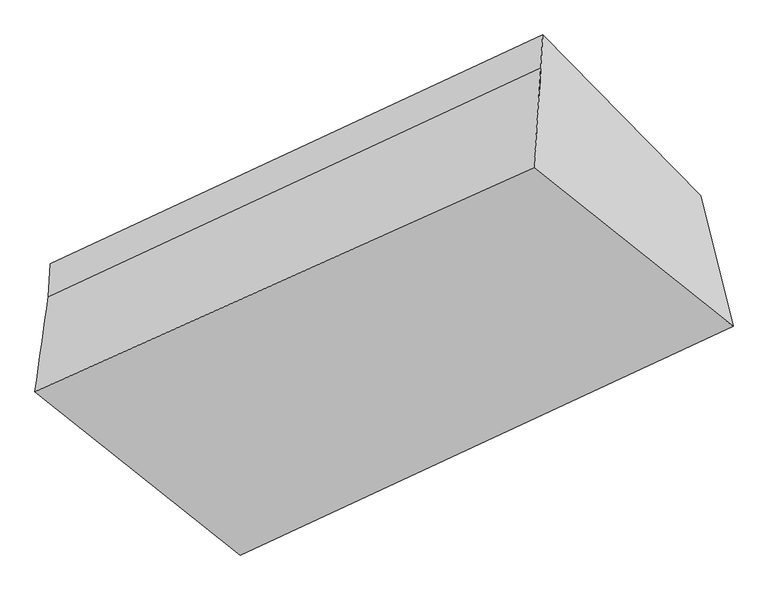
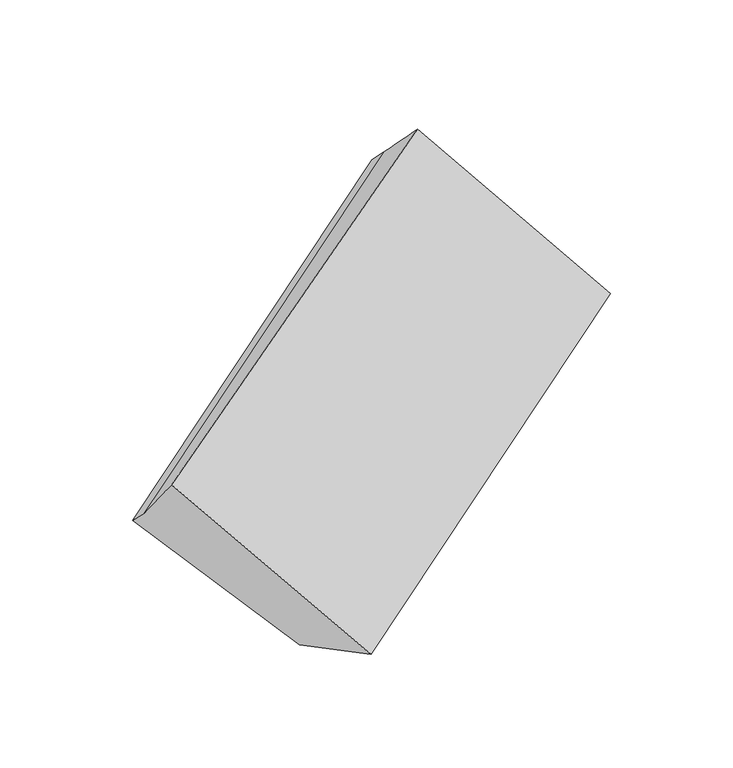
"""IFC4 building model written with IfcOpenShell, lengths in millimetres: proxy geometry."""

import ifcopenshell
import ifcopenshell.guid

model = None  # the IFC model being written
_history = None  # IfcOwnerHistory: only IFC2X3 demands one
_inside = {}  # id of a spatial element -> (the spatial element, [elements in it])
_under = {}  # id of a project, library or spatial element -> (it, [spatial elements below it])
_declared = {}  # id of a project -> (the project, [libraries it declares])
_typed = {}  # id of a type object -> (the type object, [elements of that type])
_made_of = {}  # id of a material, layer set ... -> (it, [elements and type objects made of it])


def new_model(schema):
    """Start an empty IFC model of exactly this schema.

    Asked for "IFC4X3", IfcOpenShell would pick the latest addendum, in which some entities
    have other attributes; the version numbers below select the first issue.
    IFC2X3 requires an IfcOwnerHistory on every rooted entity: one is made here for all.
    """
    global model, _history
    if schema == "IFC4X3":
        model = ifcopenshell.file(schema_version=(4, 3, 0, 0))
    else:
        model = ifcopenshell.file(schema=schema)
    _inside.clear()
    _under.clear()
    _declared.clear()
    _typed.clear()
    _made_of.clear()
    _history = None
    if model.schema == "IFC2X3":
        org = make("IfcOrganization", Name="unknown")
        user = make(
            "IfcPersonAndOrganization",
            ThePerson=make("IfcPerson", FamilyName="unknown"),
            TheOrganization=org,
        )
        app = make(
            "IfcApplication",
            ApplicationDeveloper=org,
            Version="unknown",
            ApplicationFullName="unknown",
            ApplicationIdentifier="unknown",
        )
        _history = make(
            "IfcOwnerHistory",
            OwningUser=user,
            OwningApplication=app,
            ChangeAction="ADDED",
            CreationDate=0,
        )
    return model


def make(cls, **values):
    """One entity of the class cls with the attributes given. An attribute that is None is left unset."""
    return model.create_entity(
        cls, **{name: value for name, value in values.items() if value is not None}
    )


def rooted(cls, **values):
    """An entity with a GlobalId (a new one), such as an element, a storey or a relation."""
    return make(cls, GlobalId=ifcopenshell.guid.new(), OwnerHistory=_history, **values)


def si_unit(unit_type, name, prefix=None):
    """IfcSIUnit, for example si_unit("LENGTHUNIT", "METRE", prefix="MILLI")."""
    return make("IfcSIUnit", UnitType=unit_type, Prefix=prefix, Name=name)


def assignment(units):
    """IfcUnitAssignment: the units of a project."""
    return None if units is None else make("IfcUnitAssignment", Units=units)


def point(xyz):
    """IfcCartesianPoint."""
    return None if xyz is None else make("IfcCartesianPoint", Coordinates=xyz)


def direction(xyz):
    """IfcDirection."""
    return None if xyz is None else make("IfcDirection", DirectionRatios=xyz)


def frame(location, z_axis=None, x_axis=None):
    """IfcAxis2Placement3D, a coordinate frame: its origin and axes. An axis left out is left unset."""
    return make(
        "IfcAxis2Placement3D",
        Location=point(location),
        Axis=direction(z_axis),
        RefDirection=direction(x_axis),
    )


def origin():
    """The frame at (0, 0, 0) with its axes left unset."""
    return frame((0.0, 0.0, 0.0))


def place(relative_to, where):
    """IfcLocalPlacement: puts the frame where relative to a parent placement (None: the world)."""
    return make(
        "IfcLocalPlacement", PlacementRelTo=relative_to, RelativePlacement=where
    )


def context(
    kind, dimensions, precision=None, world=None, true_north=None, identifier=None
):
    """IfcGeometricRepresentationContext, for example the 3D "Model" context."""
    return make(
        "IfcGeometricRepresentationContext",
        ContextIdentifier=identifier,
        ContextType=kind,
        CoordinateSpaceDimension=dimensions,
        Precision=precision,
        WorldCoordinateSystem=world,
        TrueNorth=true_north,
    )


def project(units=None, contexts=None):
    """IfcProject with its units and contexts."""
    return rooted(
        "IfcProject",
        Name="project",
        RepresentationContexts=contexts,
        UnitsInContext=assignment(units),
    )


def spatial(cls, under=None, at=None, **own):
    """A site, building, storey or space (cls), placed at a placement, below another one or the project."""
    s = rooted(cls, ObjectPlacement=at, **own)
    if under is not None:
        _under.setdefault(under.id(), (under, []))[1].append(s)
    return s


def shape(context_of_items, identifier, shape_type, items):
    """IfcShapeRepresentation: the items that make up one representation, for example the "Body"."""
    return make(
        "IfcShapeRepresentation",
        ContextOfItems=context_of_items,
        RepresentationIdentifier=identifier,
        RepresentationType=shape_type,
        Items=items,
    )


def source(mapping_origin, context_of_items, identifier, shape_type, items):
    """IfcRepresentationMap: a shape defined once, which mapped items show again and again."""
    return make(
        "IfcRepresentationMap",
        MappingOrigin=mapping_origin,
        MappedRepresentation=shape(context_of_items, identifier, shape_type, items),
    )


def transform(
    local_origin,
    x_axis=None,
    y_axis=None,
    z_axis=None,
    scale=None,
    scale2=None,
    scale3=None,
    uniform=True,
):
    """IfcCartesianTransformationOperator3D, or its non-uniform kind. x_axis, y_axis, z_axis: its Axis1, 2, 3."""
    if uniform:
        return make(
            "IfcCartesianTransformationOperator3D",
            Axis1=direction(x_axis),
            Axis2=direction(y_axis),
            LocalOrigin=point(local_origin),
            Scale=scale,
            Axis3=direction(z_axis),
        )
    return make(
        "IfcCartesianTransformationOperator3DnonUniform",
        Axis1=direction(x_axis),
        Axis2=direction(y_axis),
        LocalOrigin=point(local_origin),
        Scale=scale,
        Axis3=direction(z_axis),
        Scale2=scale2,
        Scale3=scale3,
    )


def mapped(mapping_source, mapping_target):
    """IfcMappedItem: shows the shape of a source again, moved by a transform."""
    return make(
        "IfcMappedItem", MappingSource=mapping_source, MappingTarget=mapping_target
    )


def made_of(thing, what):
    """Note that an element or type object is made of a material, layer set ...; save() writes the relation."""
    if what is not None:
        _made_of.setdefault(what.id(), (what, []))[1].append(thing)
    return thing


def element(
    cls,
    number,
    at=None,
    inside=None,
    cuts=None,
    type_object=None,
    material=None,
    context=None,
    identifier="Body",
    shape_type=None,
    held_by="IfcProductDefinitionShape",
    body=None,
    shapes=None,
    **own,
):
    """One element of the class cls, such as IfcWall. Its Tag is "e" and its number.

    at: its placement. inside: the storey or other place that contains it. cuts: it is an
    opening in that element (IfcRelVoidsElement). A single representation is given by context,
    identifier, shape_type and body (its items); several are given by shapes. held_by: the class
    of the entity that holds the representations. save() writes the other relations.
    """
    e = rooted(cls, Tag="e%d" % number, ObjectPlacement=at, **own)
    if body is not None:
        shapes = [shape(context, identifier, shape_type, body)]
    if shapes is not None:
        e.Representation = make(held_by, Representations=shapes)
    if inside is not None:
        _inside.setdefault(inside.id(), (inside, []))[1].append(e)
    if cuts is not None:
        rooted(
            "IfcRelVoidsElement", RelatingBuildingElement=cuts, RelatedOpeningElement=e
        )
    if type_object is not None:
        _typed.setdefault(type_object.id(), (type_object, []))[1].append(e)
    return made_of(e, material)


def aggregate(whole, parts):
    """IfcRelAggregates: a whole, such as a stair, and the parts it consists of."""
    return rooted("IfcRelAggregates", RelatingObject=whole, RelatedObjects=parts)


def save(model, path):
    """Write the relations noted so far, then the file.

    IfcRelAggregates (storeys below a building ...), IfcRelContainedInSpatialStructure (elements
    in a storey), IfcRelDefinesByType, IfcRelAssociatesMaterial and IfcRelDeclares: one each for
    every whole, place, type object, material and project.
    """
    for whole, parts in _under.values():
        aggregate(whole, parts)
    for where, things in _inside.values():
        rooted(
            "IfcRelContainedInSpatialStructure",
            RelatedElements=things,
            RelatingStructure=where,
        )
    for kind, things in _typed.values():
        rooted("IfcRelDefinesByType", RelatedObjects=things, RelatingType=kind)
    for what, things in _made_of.values():
        rooted("IfcRelAssociatesMaterial", RelatedObjects=things, RelatingMaterial=what)
    for by, libraries in _declared.values():
        rooted("IfcRelDeclares", RelatingContext=by, RelatedDefinitions=libraries)
    model.write(path)


def plane_surface(at):
    """IfcPlane: the flat surface through the origin of the frame at, square to its z axis."""
    return make("IfcPlane", Position=at)


def spline_surface(u_degree, v_degree, points, u_multiplicities, v_multiplicities, u_knots, v_knots, weights=None):
    """IfcBSplineSurfaceWithKnots; with weights, IfcRationalBSplineSurfaceWithKnots. points: one row for each step in u."""
    own = dict(
        UDegree=u_degree,
        VDegree=v_degree,
        ControlPointsList=[[point(p) for p in row] for row in points],
        SurfaceForm="UNSPECIFIED",
        UClosed=False,
        VClosed=False,
        SelfIntersect=False,
        UMultiplicities=u_multiplicities,
        VMultiplicities=v_multiplicities,
        UKnots=u_knots,
        VKnots=v_knots,
        KnotSpec="UNSPECIFIED",
    )
    if weights is None:
        return make("IfcBSplineSurfaceWithKnots", **own)
    return make("IfcRationalBSplineSurfaceWithKnots", WeightsData=weights, **own)


def advanced_brep(points, edges, surfaces, faces):
    """IfcAdvancedBrep: a solid bounded by faces that lie on surfaces and meet in shared edges.

    An edge is (start, end): straight between two places in points (the first is 0);
    or (start, end, curve); or (start, end, curve, False) where it runs against its curve.
    A face is (place in surfaces, loops), or (place, loops, False) where it looks against
    its surface's normal. A loop lists edges by number (the first is 1), with a minus sign
    where the edge is run from its end to its start. The first loop is the outer one.
    """
    corners = [point(p) for p in points]
    vertices = [make("IfcVertexPoint", VertexGeometry=c) for c in corners]
    made = []
    for start, end, *more in edges:
        made.append(
            make(
                "IfcEdgeCurve",
                EdgeStart=vertices[start],
                EdgeEnd=vertices[end],
                EdgeGeometry=more[0] if more else make("IfcPolyline", Points=[corners[start], corners[end]]),
                SameSense=more[1] if len(more) > 1 else True,
            )
        )
    hull = []
    for where, loops, *sense in faces:
        bounds = []
        for j, loop in enumerate(loops):
            ring = [make("IfcOrientedEdge", EdgeElement=made[abs(k) - 1], Orientation=k > 0) for k in loop]
            bounds.append(
                make(
                    "IfcFaceOuterBound" if j == 0 else "IfcFaceBound",
                    Bound=make("IfcEdgeLoop", EdgeList=ring),
                    Orientation=True,
                )
            )
        hull.append(make("IfcAdvancedFace", Bounds=bounds, FaceSurface=surfaces[where], SameSense=sense[0] if sense else True))
    return make("IfcAdvancedBrep", Outer=make("IfcClosedShell", CfsFaces=hull))


def generic_models_e791bb4e(model_context):
    return source(origin(), model_context, "Body", "AdvancedBrep", [
        advanced_brep(
        [(-3786.1995999, -1541.7753801, 1570.4002214), (-3791.9440359, -1642.5860907, 1668.7032497), (-2283.2292286, -941.9716751, 2475.3534022), (-2277.4847926, -841.1609645, 2377.0503738), (-3301.9472765, -2034.9055985, 1092.9881614), (-1793.2324692, -1334.2911829, 1899.6383139), (-3203.1788019, -2433.8452158, 1254.7551757), (-1694.4639947, -1733.2308002, 2061.4053282), (-3832.8536221, -1933.2775351, 1997.6978132), (-2304.0129481, -1248.6624227, 2780.601797)],
        [
            (0, 1),
            (1, 2),
            (2, 3),
            (3, 0),
            (4, 0),
            (0, 5),
            (5, 4),
            (6, 4),
            (5, 7),
            (7, 6),
            (8, 6),
            (7, 9),
            (9, 8),
            (1, 8),
            (9, 2),
            (5, 3),
        ],
        [
            plane_surface(frame((-3789.0718179, -1592.1807354, 1619.5517355), z_axis=(-0.5764908611629966, 0.5870597838551622, 0.5683476903933691), x_axis=(-0.040762950499720514, -0.7153603919662895, 0.6975656897184623))),
            plane_surface(frame((-3544.0734382, -1788.3404893, 1331.6941914), z_axis=(0.040762950499723366, 0.7153603919662861, -0.6975656897184659), x_axis=(-0.5764908611630016, 0.5870597838551639, 0.5683476903933623))),
            plane_surface(frame((-3252.5630392, -2234.3754072, 1173.8716686), z_axis=(0.5329129835987236, -0.2013252333117513, -0.8218709767012556), x_axis=(-0.22362263536993635, 0.9032429521707965, -0.36625822353086995))),
            plane_surface(frame((-3518.016212, -2183.5613754, 1626.2264944), z_axis=(0.05766471270899082, -0.804613397868577, 0.5909924372431281), x_axis=(0.5750461825332713, -0.4571399787642903, -0.6784872347872846))),
            spline_surface(1, 1, [[(-3791.9440359, -1642.5860907, 1668.7032497), (-2283.2292286, -941.9716751, 2475.3534022)], [(-3832.8536221, -1933.2775351, 1997.6978132), (-2304.0129481, -1248.6624227, 2780.601797)]], [2, 2], [2, 2], [0.0, 1.0], [0.0, 1.0]),
            plane_surface(frame((-2070.4846867, -1219.8634091, 2318.809843), z_axis=(0.8160861896038284, 0.37897271641340596, 0.43632901731623175), x_axis=(-0.22362263536993635, 0.9032429521707965, -0.36625822353086995))),
            plane_surface(frame((-3583.2246673, -1917.277964, 1516.9089243), z_axis=(-0.8160861896038297, -0.3789727164134233, -0.4363290173162144), x_axis=(0.04076295049972243, 0.7153603919662894, -0.6975656897184622))),
            plane_surface(frame((-3786.1995999, -1541.7753801, 1570.4002214), z_axis=(0.04076295049972342, 0.7153603919662859, -0.6975656897184658), x_axis=(-0.576490861163002, 0.5870597838551637, 0.568347690393362))),
        ],
        [
            (0, [[1, 2, 3, 4]]),
            (1, [[5, 6, 7]]),
            (2, [[8, -7, 9, 10]]),
            (3, [[11, -10, 12, 13]]),
            (4, [[14, -13, 15, -2]]),
            (5, [[-9, 16, -3, -15, -12]]),
            (6, [[-1, -5, -8, -11, -14]]),
            (7, [[-16, -6, -4]]),
        ],
    ),
    ])


if __name__ == "__main__":
    model = new_model("IFC4")
    model_context = context("Model", 3, world=origin())
    ifc_project = project(units=[si_unit("LENGTHUNIT", "METRE", prefix="MILLI")], contexts=[model_context])
    site = spatial("IfcSite", under=ifc_project)
    building = spatial("IfcBuilding", under=site)
    placement = place(None, origin())
    generic_models_shape = generic_models_e791bb4e(model_context)
    element("IfcBuildingElementProxy", 1, Name="Generic Models", at=placement, inside=building, context=model_context, shape_type="MappedRepresentation", body=[
        mapped(generic_models_shape, transform((0.0, 0.0, 0.0), x_axis=(1.0, 0.0, 0.0), y_axis=(0.0, 1.0, 0.0), z_axis=(0.0, 0.0, 1.0))),
    ])
    save(model, "model.ifc")
